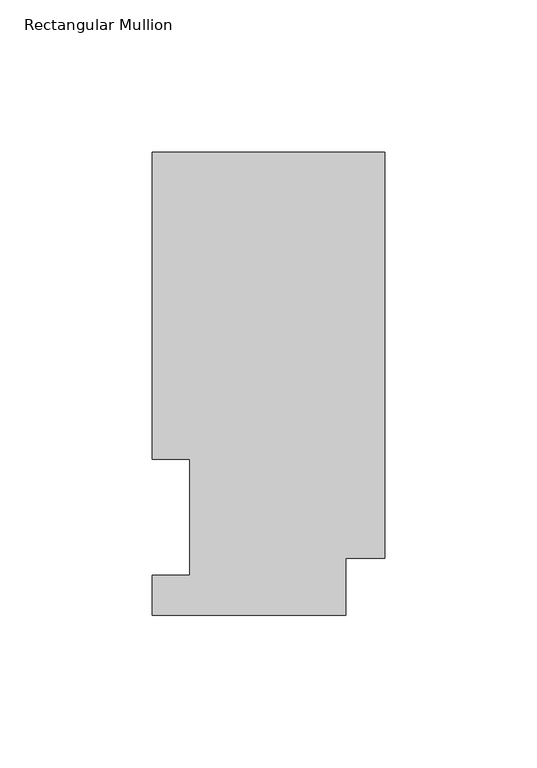
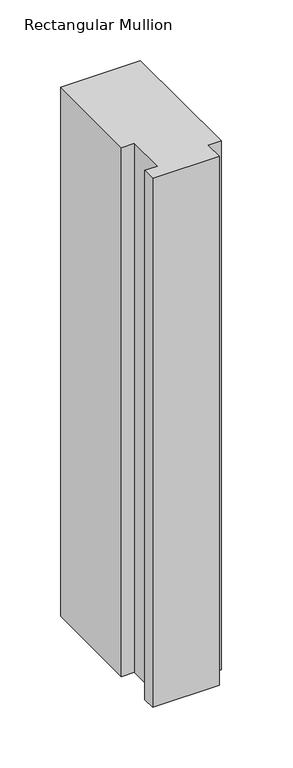
"""IFC4 building model written with IfcOpenShell, lengths in millimetres: member geometry, Rectangular Mullion."""

from ifc_helpers import new_model, si_unit, frame, origin, place, context, project, spatial, polyline, outline, extrude, source, transform, mapped, element, save


def rectangular_mullion_575aac0b(model_context):
    return source(origin(), model_context, "Body", "SweptSolid", [
        extrude(outline(polyline([(-76.2, 151.9816937), (0.0, 151.9816937), (0.0, 18.7332937), (-12.7, 18.7332937), (-12.7, 0.0134937), (-76.2, 0.0134937), (-76.2, 13.1960938), (-63.8581605, 13.1960937), (-63.8581605, 51.2960938), (-76.2, 51.2960938), (-76.2, 151.9816937)])), frame((0.0, 0.0, -533.4), z_axis=(0.0, 0.0, 1.0), x_axis=(1.0, 0.0, 0.0)), (0.0, 0.0, 1.0), 533.4),
    ])


if __name__ == "__main__":
    model = new_model("IFC4")
    model_context = context("Model", 3, world=origin())
    ifc_project = project(units=[si_unit("LENGTHUNIT", "METRE", prefix="MILLI")], contexts=[model_context])
    site = spatial("IfcSite", under=ifc_project)
    building = spatial("IfcBuilding", under=site)
    placement = place(None, origin())
    rectangular_mullion_shape = rectangular_mullion_575aac0b(model_context)
    element("IfcMember", 1, ObjectType="Rectangular Mullion", at=placement, inside=building, context=model_context, shape_type="MappedRepresentation", body=[
        mapped(rectangular_mullion_shape, transform((0.0, 0.0, 0.0), x_axis=(1.0, 0.0, 0.0), y_axis=(0.0, 1.0, 0.0), z_axis=(0.0, 0.0, 1.0))),
    ])
    save(model, "model.ifc")
